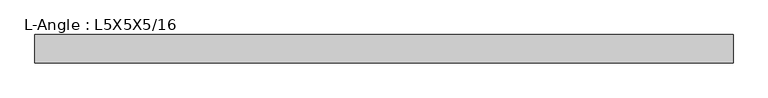
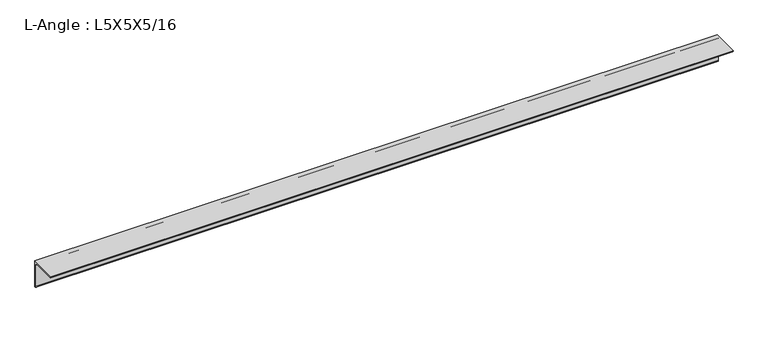
"""IFC4 building model written with IfcOpenShell, lengths in millimetres: beam geometry, L-Angle : L5X5X5/16."""

from ifc_helpers import new_model, si_unit, point, frame, frame_2d, origin, place, context, project, spatial, polyline, circle_curve, trimmed, segment, composite_curve, outline, extrude, source, transform, mapped, element, save


def l_angle_l5x5x5_16_46228ceb(model_context):
    return source(origin(), model_context, "Body", "SweptSolid", [
        extrude(outline(composite_curve([segment(polyline([(34.3296875, 34.3296875), (34.3296875, -92.6703125)]), True, "CONTINUOUS"), segment(trimmed(circle_curve(frame_2d((34.3296875, -84.7328125)), 7.9375), [point((34.3296875, -92.6703125))], [point((26.3921875, -84.7328125))], False, "CARTESIAN"), True, "CONTINUOUS"), segment(polyline([(26.3921875, -84.7328125), (26.3921875, 18.4546875)]), True, "CONTINUOUS"), segment(trimmed(circle_curve(frame_2d((18.4546875, 18.4546875)), 7.9375), [point((26.3921875, 18.4546875))], [point((18.4546875, 26.3921875))], True, "CARTESIAN"), True, "CONTINUOUS"), segment(polyline([(18.4546875, 26.3921875), (-84.7328125, 26.3921875)]), True, "CONTINUOUS"), segment(trimmed(circle_curve(frame_2d((-84.7328125, 34.3296875)), 7.9375), [point((-84.7328125, 26.3921875))], [point((-92.6703125, 34.3296875))], False, "CARTESIAN"), True, "CONTINUOUS"), segment(polyline([(-92.6703125, 34.3296875), (34.3296875, 34.3296875)]), True, "CONTINUOUS")], self_intersect=False)), frame((-1593.85, 0.0, 0.0), z_axis=(1.0, 0.0, 0.0), x_axis=(0.0, 1.0, 0.0)), (0.0, 0.0, 1.0), 3143.646875),
    ])


if __name__ == "__main__":
    model = new_model("IFC4")
    model_context = context("Model", 3, world=origin())
    ifc_project = project(units=[si_unit("LENGTHUNIT", "METRE", prefix="MILLI")], contexts=[model_context])
    site = spatial("IfcSite", under=ifc_project)
    building = spatial("IfcBuilding", under=site)
    placement = place(None, origin())
    l_angle_l5x5x5_16_shape = l_angle_l5x5x5_16_46228ceb(model_context)
    element("IfcBeam", 1, ObjectType="L-Angle : L5X5X5/16", at=placement, inside=building, context=model_context, shape_type="MappedRepresentation", body=[
        mapped(l_angle_l5x5x5_16_shape, transform((0.0, 0.0, 0.0), x_axis=(1.0, 0.0, 0.0), y_axis=(0.0, 1.0, 0.0), z_axis=(0.0, 0.0, 1.0))),
    ])
    save(model, "model.ifc")
